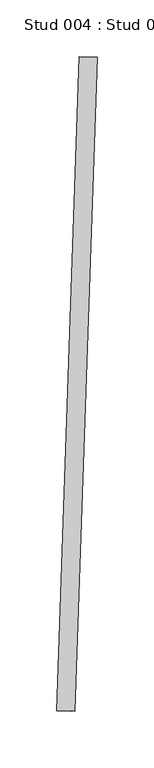
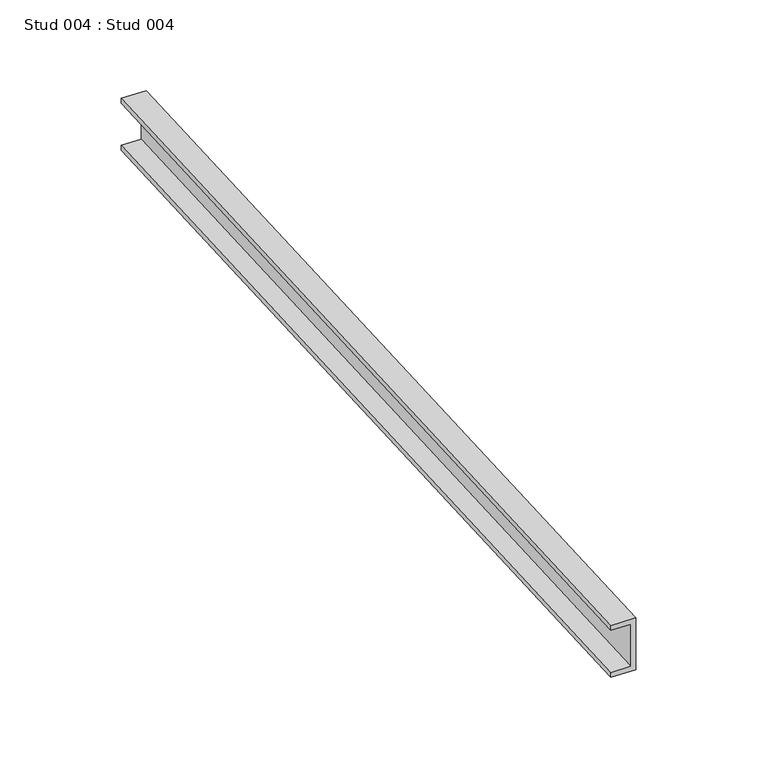
"""IFC4 building model written with IfcOpenShell, lengths in millimetres: proxy geometry, Stud 004 : Stud 004."""

from ifc_helpers import new_model, si_unit, frame, origin, place, context, project, spatial, polyline, outline, extrude, source, transform, mapped, element, save


def stud_004_stud_004_0122421d(model_context):
    return source(origin(), model_context, "Body", "SweptSolid", [
        extrude(outline(polyline([(0.0, 0.0), (0.0, -34.925), (-15.875, -34.925), (-15.875, -31.75), (-3.175, -31.75), (-3.175, -3.175), (-15.875, -3.175), (-15.875, 0.0), (0.0, 0.0)])), frame((33550.3956859, -15399.2904404, 2974.975), z_axis=(0.03420178183655115, 0.9994149479166323, 0.0), x_axis=(0.9994149479166323, -0.03420178183655115, 0.0)), (0.0, 0.0, 1.0), 576.9016611),
    ])


if __name__ == "__main__":
    model = new_model("IFC4")
    model_context = context("Model", 3, world=origin())
    ifc_project = project(units=[si_unit("LENGTHUNIT", "METRE", prefix="MILLI")], contexts=[model_context])
    site = spatial("IfcSite", under=ifc_project)
    building = spatial("IfcBuilding", under=site)
    placement = place(None, origin())
    stud_004_stud_004_shape = stud_004_stud_004_0122421d(model_context)
    element("IfcBuildingElementProxy", 1, Name="Stud 004 : Stud 004", ObjectType="Stud 004 : Stud 004", at=placement, inside=building, context=model_context, shape_type="MappedRepresentation", body=[
        mapped(stud_004_stud_004_shape, transform((0.0, 0.0, 0.0), x_axis=(1.0, 0.0, 0.0), y_axis=(0.0, 1.0, 0.0), z_axis=(0.0, 0.0, 1.0))),
    ])
    save(model, "model.ifc")
